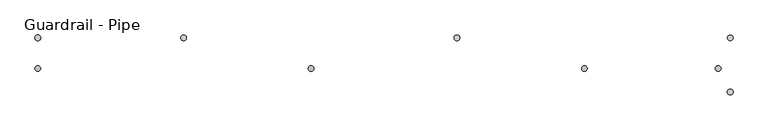
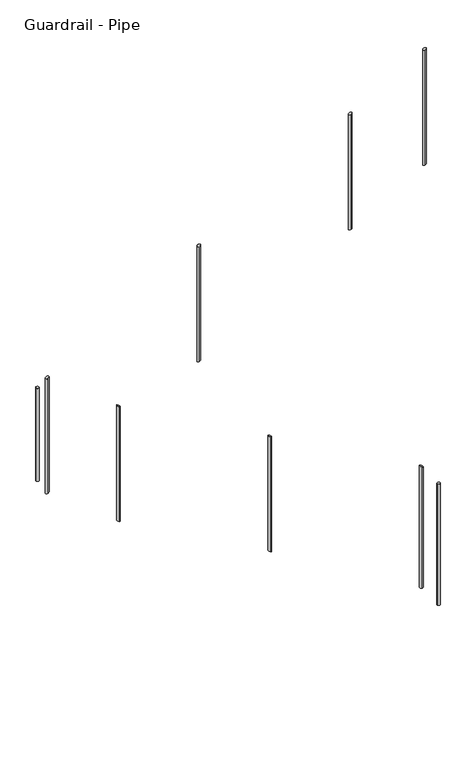
"""IFC4 building model written with IfcOpenShell, lengths in millimetres: railing geometry, Guardrail - Pipe."""

from ifc_helpers import new_model, si_unit, point, frame, frame_2d, origin, place, context, project, spatial, circle_curve, ellipse_curve, trimmed, segment, composite_curve, outline, extrude, source, transform, mapped, element, save
from ifc_brep_helpers import plane_surface, cylinder_surface, advanced_brep


def guardrail_pipe_9aaf52e7(model_context):
    return source(origin(), model_context, "Body", "SolidModel", [
        advanced_brep(
        [(-11206.6112561, 2649.7404418, 11953.5949055), (-11206.6112561, 2624.3404418, 11953.5949055), (-11206.6112561, 2624.3404418, 10980.3843071), (-11206.6112561, 2649.7404418, 10980.3843071)],
        [
            (0, 1, ellipse_curve(frame((-11206.6112561, 2637.0404418, 11953.5949055), z_axis=(0.49465847024286946, 0.0, -0.8690874511906063), x_axis=(0.8690874511906064, 0.0, 0.49465847024286896)), 14.6130289, 12.7)),
            (1, 2),
            (2, 3, ellipse_curve(frame((-11206.6112561, 2637.0404418, 10980.3843071), z_axis=(-0.4946584702428729, 0.0, 0.8690874511906043), x_axis=(0.8690874511906043, 0.0, 0.4946584702428727)), 14.6130289, 12.7)),
            (3, 0),
            (3, 2, ellipse_curve(frame((-11206.6112561, 2637.0404418, 10980.3843071), z_axis=(-0.4946584702428729, 0.0, 0.8690874511906043), x_axis=(0.8690874511906043, 0.0, 0.4946584702428727)), 14.6130289, 12.7)),
            (1, 0, ellipse_curve(frame((-11206.6112561, 2637.0404418, 11953.5949055), z_axis=(0.49465847024286946, 0.0, -0.8690874511906063), x_axis=(0.8690874511906064, 0.0, 0.49465847024286896)), 14.6130289, 12.7)),
        ],
        [
            cylinder_surface(frame((-11206.6112561, 2637.0404418, 10751.7843071), z_axis=(0.0, 0.0, 1.0), x_axis=(0.0, -1.0, 0.0)), 12.7),
            plane_surface(frame((-11181.2112561, 2611.6404418, 11968.0518225), z_axis=(-0.49465847024286946, 0.0, 0.8690874511906063), x_axis=(0.0, 1.0, 0.0))),
            plane_surface(frame((-11232.0112561, 2611.6404418, 10965.9273901), z_axis=(0.4946584702428729, 0.0, -0.8690874511906043), x_axis=(0.0, 1.0, 0.0))),
        ],
        [
            (0, [[1, 2, 3, 4]]),
            (0, [[5, -2, 6, -4]]),
            (1, [[-6, -1]]),
            (2, [[-5, -3]]),
        ],
    ),
        advanced_brep(
        [(-12425.8112561, 2649.7404418, 11259.6628897), (-12425.8112561, 2624.3404418, 11259.6628897), (-12425.8112561, 2624.3404418, 10286.4522913), (-12425.8112561, 2649.7404418, 10286.4522913)],
        [
            (0, 1, ellipse_curve(frame((-12425.8112561, 2637.0404418, 11259.6628897), z_axis=(0.49465847024286946, 0.0, -0.8690874511906063), x_axis=(0.8690874511906064, 0.0, 0.49465847024286896)), 14.6130289, 12.7)),
            (1, 2),
            (2, 3, ellipse_curve(frame((-12425.8112561, 2637.0404418, 10286.4522913), z_axis=(-0.4946584702428729, 0.0, 0.8690874511906043), x_axis=(0.8690874511906043, 0.0, 0.4946584702428727)), 14.6130289, 12.7)),
            (3, 0),
            (3, 2, ellipse_curve(frame((-12425.8112561, 2637.0404418, 10286.4522913), z_axis=(-0.4946584702428729, 0.0, 0.8690874511906043), x_axis=(0.8690874511906043, 0.0, 0.4946584702428727)), 14.6130289, 12.7)),
            (1, 0, ellipse_curve(frame((-12425.8112561, 2637.0404418, 11259.6628897), z_axis=(0.49465847024286946, 0.0, -0.8690874511906063), x_axis=(0.8690874511906064, 0.0, 0.49465847024286896)), 14.6130289, 12.7)),
        ],
        [
            cylinder_surface(frame((-12425.8112561, 2637.0404418, 10057.8522913), z_axis=(0.0, 0.0, 1.0), x_axis=(0.0, -1.0, 0.0)), 12.7),
            plane_surface(frame((-12400.4112561, 2611.6404418, 11274.1198067), z_axis=(-0.49465847024286946, 0.0, 0.8690874511906063), x_axis=(0.0, 1.0, 0.0))),
            plane_surface(frame((-12451.2112561, 2611.6404418, 10271.9953743), z_axis=(0.4946584702428729, 0.0, -0.8690874511906043), x_axis=(0.0, 1.0, 0.0))),
        ],
        [
            (0, [[1, 2, 3, 4]]),
            (0, [[5, -2, 6, -4]]),
            (1, [[-6, -1]]),
            (2, [[-5, -3]]),
        ],
    ),
        advanced_brep(
        [(-12994.2564309, 2761.5151259, 10013.7696497), (-12994.2564309, 2786.9151259, 10013.7696497), (-12994.2564309, 2786.9151259, 9039.5910763), (-12994.2564309, 2761.5151259, 9039.5910763)],
        [
            (0, 1, ellipse_curve(frame((-12994.2564309, 2774.2151259, 10013.7696497), z_axis=(-0.48860650850001314, 0.0, -0.8725042577841249), x_axis=(-0.8725042577841249, 0.0, 0.4886065085000131)), 14.5558029, 12.7)),
            (1, 2),
            (2, 3, ellipse_curve(frame((-12994.2564309, 2774.2151259, 9039.5910763), z_axis=(0.48860650850001475, 0.0, 0.872504257784124), x_axis=(-0.8725042577841241, 0.0, 0.4886065085000147)), 14.5558029, 12.7)),
            (3, 0),
            (3, 2, ellipse_curve(frame((-12994.2564309, 2774.2151259, 9039.5910763), z_axis=(0.48860650850001475, 0.0, 0.872504257784124), x_axis=(-0.8725042577841241, 0.0, 0.4886065085000147)), 14.5558029, 12.7)),
            (1, 0, ellipse_curve(frame((-12994.2564309, 2774.2151259, 10013.7696497), z_axis=(-0.48860650850001314, 0.0, -0.8725042577841249), x_axis=(-0.8725042577841249, 0.0, 0.4886065085000131)), 14.5558029, 12.7)),
        ],
        [
            cylinder_surface(frame((-12994.2564309, 2774.2151259, 8810.9910763), z_axis=(0.0, 0.0, 1.0), x_axis=(0.0, 1.0, 0.0)), 12.7),
            plane_surface(frame((-13019.6564309, 2799.6151259, 10027.9937698), z_axis=(0.48860650850001314, 0.0, 0.8725042577841249), x_axis=(0.0, -1.0, 0.0))),
            plane_surface(frame((-12968.8564309, 2799.6151259, 9025.3669563), z_axis=(-0.48860650850001475, 0.0, -0.872504257784124), x_axis=(0.0, -1.0, 0.0))),
        ],
        [
            (0, [[1, 2, 3, 4]]),
            (0, [[5, -2, 6, -4]]),
            (1, [[-6, -1]]),
            (2, [[-5, -3]]),
        ],
    ),
        advanced_brep(
        [(-11775.0564309, 2761.5151259, 9331.0118868), (-11775.0564309, 2786.9151259, 9331.0118868), (-11775.0564309, 2786.9151259, 8356.8333134), (-11775.0564309, 2761.5151259, 8356.8333134)],
        [
            (0, 1, ellipse_curve(frame((-11775.0564309, 2774.2151259, 9331.0118868), z_axis=(-0.48860650850001314, 0.0, -0.8725042577841249), x_axis=(-0.8725042577841249, 0.0, 0.4886065085000131)), 14.5558029, 12.7)),
            (1, 2),
            (2, 3, ellipse_curve(frame((-11775.0564309, 2774.2151259, 8356.8333134), z_axis=(0.48860650850001475, 0.0, 0.872504257784124), x_axis=(-0.8725042577841241, 0.0, 0.4886065085000147)), 14.5558029, 12.7)),
            (3, 0),
            (3, 2, ellipse_curve(frame((-11775.0564309, 2774.2151259, 8356.8333134), z_axis=(0.48860650850001475, 0.0, 0.872504257784124), x_axis=(-0.8725042577841241, 0.0, 0.4886065085000147)), 14.5558029, 12.7)),
            (1, 0, ellipse_curve(frame((-11775.0564309, 2774.2151259, 9331.0118868), z_axis=(-0.48860650850001314, 0.0, -0.8725042577841249), x_axis=(-0.8725042577841249, 0.0, 0.4886065085000131)), 14.5558029, 12.7)),
        ],
        [
            cylinder_surface(frame((-11775.0564309, 2774.2151259, 8128.2333134), z_axis=(0.0, 0.0, 1.0), x_axis=(0.0, 1.0, 0.0)), 12.7),
            plane_surface(frame((-11800.4564309, 2799.6151259, 9345.2360069), z_axis=(0.48860650850001314, 0.0, 0.8725042577841249), x_axis=(0.0, -1.0, 0.0))),
            plane_surface(frame((-11749.6564309, 2799.6151259, 8342.6091934), z_axis=(-0.48860650850001475, 0.0, -0.872504257784124), x_axis=(0.0, -1.0, 0.0))),
        ],
        [
            (0, [[1, 2, 3, 4]]),
            (0, [[5, -2, 6, -4]]),
            (1, [[-6, -1]]),
            (2, [[-5, -3]]),
        ],
    ),
        advanced_brep(
        [(-13645.0112561, 2649.7404418, 10565.7308739), (-13645.0112561, 2624.3404418, 10565.7308739), (-13645.0112561, 2624.3404418, 9592.5202755), (-13645.0112561, 2649.7404418, 9592.5202755)],
        [
            (0, 1, ellipse_curve(frame((-13645.0112561, 2637.0404418, 10565.7308739), z_axis=(0.49465847024286946, 0.0, -0.8690874511906063), x_axis=(0.8690874511906064, 0.0, 0.49465847024286896)), 14.6130289, 12.7)),
            (1, 2),
            (2, 3, ellipse_curve(frame((-13645.0112561, 2637.0404418, 9592.5202755), z_axis=(-0.4946584702428729, 0.0, 0.8690874511906043), x_axis=(0.8690874511906043, 0.0, 0.4946584702428727)), 14.6130289, 12.7)),
            (3, 0),
            (3, 2, ellipse_curve(frame((-13645.0112561, 2637.0404418, 9592.5202755), z_axis=(-0.4946584702428729, 0.0, 0.8690874511906043), x_axis=(0.8690874511906043, 0.0, 0.4946584702428727)), 14.6130289, 12.7)),
            (1, 0, ellipse_curve(frame((-13645.0112561, 2637.0404418, 10565.7308739), z_axis=(0.49465847024286946, 0.0, -0.8690874511906063), x_axis=(0.8690874511906064, 0.0, 0.49465847024286896)), 14.6130289, 12.7)),
        ],
        [
            cylinder_surface(frame((-13645.0112561, 2637.0404418, 9363.9202755), z_axis=(0.0, 0.0, 1.0), x_axis=(0.0, -1.0, 0.0)), 12.7),
            plane_surface(frame((-13619.6112561, 2611.6404418, 10580.1877909), z_axis=(-0.49465847024286946, 0.0, 0.8690874511906063), x_axis=(0.0, 1.0, 0.0))),
            plane_surface(frame((-13670.4112561, 2611.6404418, 9578.0633585), z_axis=(0.4946584702428729, 0.0, -0.8690874511906043), x_axis=(0.0, 1.0, 0.0))),
        ],
        [
            (0, [[1, 2, 3, 4]]),
            (0, [[5, -2, 6, -4]]),
            (1, [[-6, -1]]),
            (2, [[-5, -3]]),
        ],
    ),
        extrude(outline(composite_curve([segment(trimmed(circle_curve(frame_2d((-13645.0112561, 2774.2151259)), 12.7), [point((-13657.7112561, 2774.2151259))], [point((-13632.3112561, 2774.2151259))], False, "CARTESIAN"), True, "CONTINUOUS"), segment(trimmed(circle_curve(frame_2d((-13645.0112561, 2774.2151259)), 12.7), [point((-13632.3112561, 2774.2151259))], [point((-13657.7112561, 2774.2151259))], False, "CARTESIAN"), True, "CONTINUOUS")], self_intersect=False)), frame((0.0, 0.0, 9609.2634209), z_axis=(0.0, 0.0, 1.0), x_axis=(1.0, 0.0, 0.0)), (0.0, 0.0, 1.0), 788.7235356),
        advanced_brep(
        [(-10555.8564309, 2761.5151259, 8648.2541239), (-10555.8564309, 2786.9151259, 8648.2541239), (-10555.8564309, 2786.9151259, 7620.0), (-10555.8564309, 2761.5151259, 7620.0)],
        [
            (0, 1, ellipse_curve(frame((-10555.8564309, 2774.2151259, 8648.2541239), z_axis=(-0.48860650850001314, 0.0, -0.8725042577841249), x_axis=(-0.8725042577841249, 0.0, 0.4886065085000131)), 14.5558029, 12.7)),
            (1, 2),
            (2, 3, circle_curve(frame((-10555.8564309, 2774.2151259, 7620.0), z_axis=(0.0, 0.0, 1.0), x_axis=(0.0, 1.0, 0.0)), 12.7)),
            (3, 0),
            (3, 2, circle_curve(frame((-10555.8564309, 2774.2151259, 7620.0), z_axis=(0.0, 0.0, 1.0), x_axis=(0.0, 1.0, 0.0)), 12.7)),
            (1, 0, ellipse_curve(frame((-10555.8564309, 2774.2151259, 8648.2541239), z_axis=(-0.48860650850001314, 0.0, -0.8725042577841249), x_axis=(-0.8725042577841249, 0.0, 0.4886065085000131)), 14.5558029, 12.7)),
        ],
        [
            cylinder_surface(frame((-10555.8564309, 2774.2151259, 7391.4), z_axis=(0.0, 0.0, 1.0), x_axis=(0.0, 1.0, 0.0)), 12.7),
            plane_surface(frame((-10581.2564309, 2799.6151259, 8662.478244), z_axis=(0.48860650850001314, 0.0, 0.8725042577841249), x_axis=(0.0, -1.0, 0.0))),
            plane_surface(frame((-10530.4564309, 2799.6151259, 7620.0), z_axis=(0.0, 0.0, -1.0), x_axis=(0.0, -1.0, 0.0))),
        ],
        [
            (0, [[1, 2, 3, 4]]),
            (0, [[5, -2, 6, -4]]),
            (1, [[-6, -1]]),
            (2, [[-5, -3]]),
        ],
    ),
        advanced_brep(
        [(-10609.7112561, 2649.7404418, 12293.3324549), (-10609.7112561, 2624.3404418, 12293.3324549), (-10609.7112561, 2624.3404418, 11320.1218565), (-10609.7112561, 2649.7404418, 11320.1218565)],
        [
            (0, 1, ellipse_curve(frame((-10609.7112561, 2637.0404418, 12293.3324549), z_axis=(0.49465847024286946, 0.0, -0.8690874511906063), x_axis=(0.8690874511906064, 0.0, 0.49465847024286896)), 14.6130289, 12.7)),
            (1, 2),
            (2, 3, ellipse_curve(frame((-10609.7112561, 2637.0404418, 11320.1218565), z_axis=(-0.4946584702428729, 0.0, 0.8690874511906043), x_axis=(0.8690874511906043, 0.0, 0.4946584702428727)), 14.6130289, 12.7)),
            (3, 0),
            (3, 2, ellipse_curve(frame((-10609.7112561, 2637.0404418, 11320.1218565), z_axis=(-0.4946584702428729, 0.0, 0.8690874511906043), x_axis=(0.8690874511906043, 0.0, 0.4946584702428727)), 14.6130289, 12.7)),
            (1, 0, ellipse_curve(frame((-10609.7112561, 2637.0404418, 12293.3324549), z_axis=(0.49465847024286946, 0.0, -0.8690874511906063), x_axis=(0.8690874511906064, 0.0, 0.49465847024286896)), 14.6130289, 12.7)),
        ],
        [
            cylinder_surface(frame((-10609.7112561, 2637.0404418, 11091.5218565), z_axis=(0.0, 0.0, 1.0), x_axis=(0.0, -1.0, 0.0)), 12.7),
            plane_surface(frame((-10584.3112561, 2611.6404418, 12307.7893719), z_axis=(-0.49465847024286946, 0.0, 0.8690874511906063), x_axis=(0.0, 1.0, 0.0))),
            plane_surface(frame((-10635.1112561, 2611.6404418, 11305.6649395), z_axis=(0.4946584702428729, 0.0, -0.8690874511906043), x_axis=(0.0, 1.0, 0.0))),
        ],
        [
            (0, [[1, 2, 3, 4]]),
            (0, [[5, -2, 6, -4]]),
            (1, [[-6, -1]]),
            (2, [[-5, -3]]),
        ],
    ),
        extrude(outline(composite_curve([segment(trimmed(circle_curve(frame_2d((-10555.8564309, 2532.9151259)), 12.7), [point((-10543.1564309, 2532.9151259))], [point((-10568.5564309, 2532.9151259))], False, "CARTESIAN"), True, "CONTINUOUS"), segment(trimmed(circle_curve(frame_2d((-10555.8564309, 2532.9151259)), 12.7), [point((-10568.5564309, 2532.9151259))], [point((-10543.1564309, 2532.9151259))], False, "CARTESIAN"), True, "CONTINUOUS")], self_intersect=False)), frame((0.0, 0.0, 7620.0), z_axis=(0.0, 0.0, 1.0), x_axis=(1.0, 0.0, 0.0)), (0.0, 0.0, 1.0), 1028.7),
    ])


if __name__ == "__main__":
    model = new_model("IFC4")
    model_context = context("Model", 3, world=origin())
    ifc_project = project(units=[si_unit("LENGTHUNIT", "METRE", prefix="MILLI")], contexts=[model_context])
    site = spatial("IfcSite", under=ifc_project)
    building = spatial("IfcBuilding", under=site)
    placement = place(None, origin())
    guardrail_pipe_shape = guardrail_pipe_9aaf52e7(model_context)
    element("IfcRailing", 1, ObjectType="Guardrail - Pipe", at=placement, inside=building, context=model_context, shape_type="MappedRepresentation", body=[
        mapped(guardrail_pipe_shape, transform((0.0, 0.0, 0.0), x_axis=(1.0, 0.0, 0.0), y_axis=(0.0, 1.0, 0.0), z_axis=(0.0, 0.0, 1.0))),
    ])
    save(model, "model.ifc")
